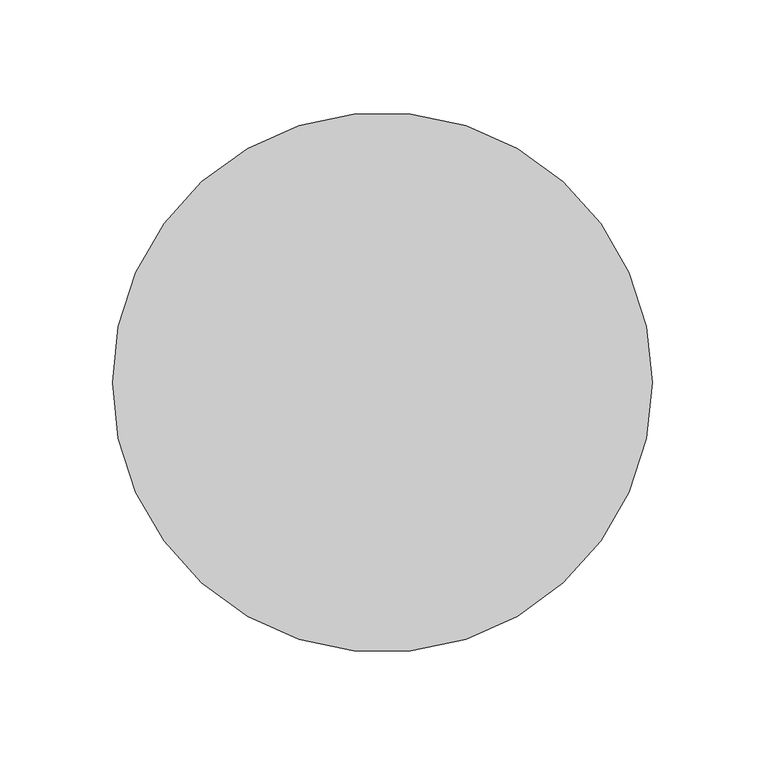
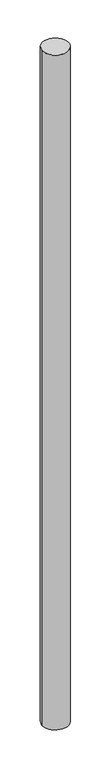
"""IFC4 building model written with IfcOpenShell, lengths in millimetres: column geometry."""

from ifc_helpers import new_model, si_unit, point, frame, origin, origin_2d, place, context, project, spatial, circle_curve, trimmed, segment, composite_curve, outline, extrude, source, transform, mapped, element, save


def column_765dcfa9(model_context):
    return source(origin(), model_context, "Body", "SweptSolid", [
        extrude(outline(composite_curve([segment(trimmed(circle_curve(origin_2d(), 120.0), [point((-120.0, 0.0))], [point((120.0, 0.0))], False, "CARTESIAN"), True, "CONTINUOUS"), segment(trimmed(circle_curve(origin_2d(), 120.0), [point((120.0, 0.0))], [point((-120.0, 0.0))], False, "CARTESIAN"), True, "CONTINUOUS")], self_intersect=False)), frame((0.0, 0.0, -100.0), z_axis=(0.0, 0.0, 1.0), x_axis=(1.0, 0.0, 0.0)), (0.0, 0.0, 1.0), 6600.0),
    ])


if __name__ == "__main__":
    model = new_model("IFC4")
    model_context = context("Model", 3, world=origin())
    ifc_project = project(units=[si_unit("LENGTHUNIT", "METRE", prefix="MILLI")], contexts=[model_context])
    site = spatial("IfcSite", under=ifc_project)
    building = spatial("IfcBuilding", under=site)
    placement = place(None, origin())
    column_shape = column_765dcfa9(model_context)
    element("IfcColumn", 1, at=placement, inside=building, context=model_context, shape_type="MappedRepresentation", body=[
        mapped(column_shape, transform((0.0, 0.0, 0.0), x_axis=(1.0, 0.0, 0.0), y_axis=(0.0, 1.0, 0.0), z_axis=(0.0, 0.0, 1.0))),
    ])
    save(model, "model.ifc")
